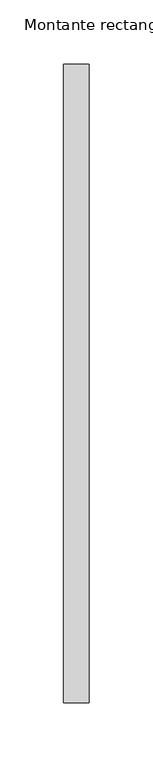
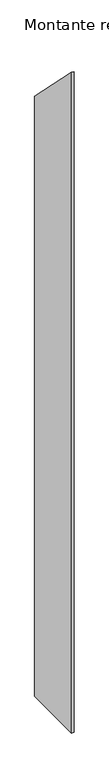
"""IFC4 building model written with IfcOpenShell, lengths in millimetres: member geometry, Montante rectangular."""

from ifc_helpers import new_model, si_unit, frame, origin, place, context, project, spatial, polyline, outline, extrude, source, transform, mapped, element, save


def montante_rectangular_5e52b03d(model_context):
    return source(origin(), model_context, "Body", "SweptSolid", [
        extrude(outline(polyline([(-250.0, 250.0), (250.0, -250.0), (250.0, -5216.3262045), (-250.0, -5216.3262045), (-250.0, 250.0)])), frame((-20.0, 0.0, 0.0), z_axis=(1.0, 0.0, 0.0), x_axis=(0.0, 1.0, 0.0)), (0.0, 0.0, 1.0), 20.0),
    ])


if __name__ == "__main__":
    model = new_model("IFC4")
    model_context = context("Model", 3, world=origin())
    ifc_project = project(units=[si_unit("LENGTHUNIT", "METRE", prefix="MILLI")], contexts=[model_context])
    site = spatial("IfcSite", under=ifc_project)
    building = spatial("IfcBuilding", under=site)
    placement = place(None, origin())
    montante_rectangular_shape = montante_rectangular_5e52b03d(model_context)
    element("IfcMember", 1, ObjectType="Montante rectangular", at=placement, inside=building, context=model_context, shape_type="MappedRepresentation", body=[
        mapped(montante_rectangular_shape, transform((0.0, 0.0, 0.0), x_axis=(1.0, 0.0, 0.0), y_axis=(0.0, 1.0, 0.0), z_axis=(0.0, 0.0, 1.0))),
    ])
    save(model, "model.ifc")
